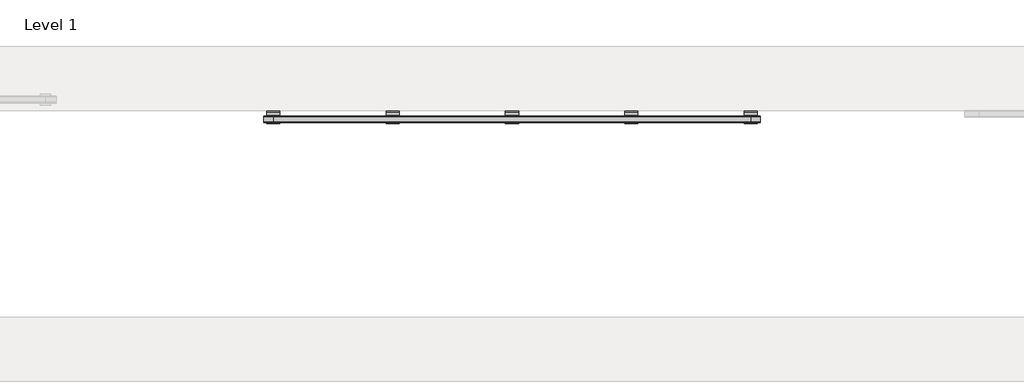
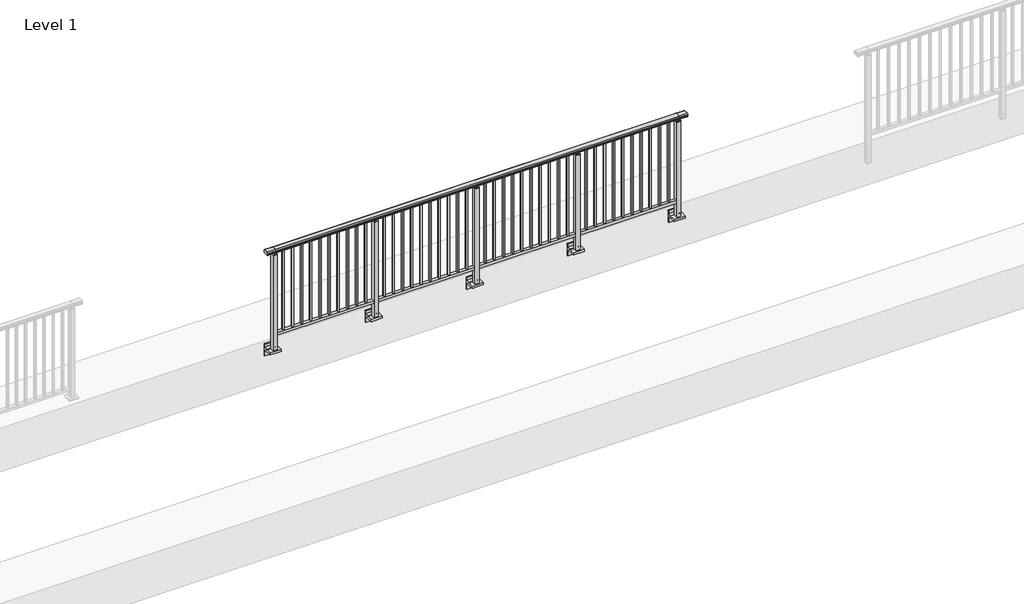
# One storey, part 29 of 64: 1 railing.
"""IFC4 building model written with IfcOpenShell, lengths in millimetres."""

from ifc_helpers import new_model, si_unit, point, frame, frame_2d, origin, place, context, project, spatial, polyline, circle_curve, trimmed, segment, composite_curve, outline, extrude, element, save
from ifc_brep_helpers import plane_surface, cylinder_surface, revolved_surface, advanced_brep

model = new_model("IFC4")

# Units and contexts
model_context = context("Model", 3, world=origin())
ifc_project = project(units=[si_unit("LENGTHUNIT", "METRE", prefix="MILLI")], contexts=[model_context])

# Site, building, storey
site = spatial("IfcSite", under=ifc_project)
building = spatial("IfcBuilding", under=site)
storey = spatial("IfcBuildingStorey", under=building, Name="Level 1", Elevation=0.0)

# Railing
placement = place(None, origin())
element("IfcRailing", 1, at=placement, inside=storey, context=model_context, shape_type="SolidModel", body=[
    advanced_brep(
    [(12910.0, 19842.8633756, 1095.6691182), (12910.0, 19847.6846828, 1081.1334092), (12910.0, 19846.7413744, 1069.2539035), (12910.0, 19848.6364177, 1061.4863007), (12910.0, 19846.9894799, 1060.384124), (12910.0, 19846.9894799, 1062.0), (12910.0, 19788.3798858, 1062.0), (12910.0, 19788.3798858, 1060.384124), (12910.0, 19786.732948, 1061.4863007), (12910.0, 19788.6279912, 1069.2539035), (12910.0, 19787.6846828, 1081.1334092), (12910.0, 19792.50599, 1095.6691182), (17490.0, 19842.8633756, 1095.6691182), (17490.0, 19792.50599, 1095.6691182), (17490.0, 19787.6846828, 1081.1334092), (17490.0, 19788.6279912, 1069.2539035), (17490.0, 19786.732948, 1061.4863007), (17490.0, 19788.3798858, 1060.384124), (17490.0, 19788.3798858, 1062.0), (17490.0, 19846.9894799, 1062.0), (17490.0, 19846.9894799, 1060.384124), (17490.0, 19848.6364177, 1061.4863007), (17490.0, 19846.7413744, 1069.2539035), (17490.0, 19847.6846828, 1081.1334092), (13000.0, 19842.8633756, 1095.6691182), (13000.0, 19847.6846828, 1081.1334092), (13000.0, 19846.7413744, 1069.2539035), (13000.0, 19848.6364177, 1061.4863007), (13000.0, 19846.9894799, 1060.384124), (13000.0, 19846.9894799, 1062.0), (13000.0, 19788.3798858, 1062.0), (13000.0, 19788.3798858, 1060.384124), (13000.0, 19786.732948, 1061.4863007), (13000.0, 19788.6279912, 1069.2539035), (13000.0, 19787.6846828, 1081.1334092), (13000.0, 19792.50599, 1095.6691182), (17400.0, 19842.8633756, 1095.6691182), (17400.0, 19847.6846828, 1081.1334092), (17400.0, 19846.7413744, 1069.2539035), (17400.0, 19848.6364177, 1061.4863007), (17400.0, 19846.9894799, 1060.384124), (17400.0, 19846.9894799, 1062.0), (17400.0, 19788.3798858, 1062.0), (17400.0, 19788.3798858, 1060.384124), (17400.0, 19786.732948, 1061.4863007), (17400.0, 19788.6279912, 1069.2539035), (17400.0, 19787.6846828, 1081.1334092), (17400.0, 19792.50599, 1095.6691182)],
    [
        (0, 1, circle_curve(frame((12910.0, 19839.6223845, 1086.526686), z_axis=(-1.0, 0.0, 0.0), x_axis=(0.0, -1.0, 0.0)), 9.6999015)),
        (1, 2, circle_curve(frame((12910.0, 19865.2252545, 1073.7633709), z_axis=(1.0, 0.0, 0.0), x_axis=(0.0, -1.0, 0.0)), 19.0260117)),
        (2, 3),
        (3, 4, circle_curve(frame((12910.0, 19847.7772073, 1060.9886194), z_axis=(-1.0, 0.0, 0.0), x_axis=(0.0, -1.0, 0.0)), 0.9929396)),
        (4, 5),
        (5, 6),
        (6, 7),
        (7, 8, circle_curve(frame((12910.0, 19787.5921584, 1060.9886194), z_axis=(-1.0, 0.0, 0.0), x_axis=(0.0, 1.0, 0.0)), 0.9929396)),
        (8, 9),
        (9, 10, circle_curve(frame((12910.0, 19770.1441111, 1073.7633709), z_axis=(1.0, 0.0, 0.0), x_axis=(0.0, 1.0, 0.0)), 19.0260117)),
        (10, 11, circle_curve(frame((12910.0, 19795.7469812, 1086.526686), z_axis=(-1.0, 0.0, 0.0), x_axis=(0.0, 1.0, 0.0)), 9.6999015)),
        (11, 0, circle_curve(frame((12910.0, 19817.6846828, 1024.6431628), z_axis=(-1.0, 0.0, 0.0), x_axis=(0.0, 1.0, 0.0)), 75.3568372)),
        (12, 13, circle_curve(frame((17490.0, 19817.6846828, 1024.6431628), z_axis=(1.0, 0.0, 0.0), x_axis=(0.0, 1.0, 0.0)), 75.3568372)),
        (13, 14, circle_curve(frame((17490.0, 19795.7469812, 1086.526686), z_axis=(1.0, 0.0, 0.0), x_axis=(0.0, 1.0, 0.0)), 9.6999015)),
        (14, 15, circle_curve(frame((17490.0, 19770.1441111, 1073.7633709), z_axis=(-1.0, 0.0, 0.0), x_axis=(0.0, 1.0, 0.0)), 19.0260117)),
        (15, 16),
        (16, 17, circle_curve(frame((17490.0, 19787.5921584, 1060.9886194), z_axis=(1.0, 0.0, 0.0), x_axis=(0.0, 1.0, 0.0)), 0.9929396)),
        (17, 18),
        (18, 19),
        (19, 20),
        (20, 21, circle_curve(frame((17490.0, 19847.7772073, 1060.9886194), z_axis=(1.0, 0.0, 0.0), x_axis=(0.0, -1.0, 0.0)), 0.9929396)),
        (21, 22),
        (22, 23, circle_curve(frame((17490.0, 19865.2252545, 1073.7633709), z_axis=(-1.0, 0.0, 0.0), x_axis=(0.0, -1.0, 0.0)), 19.0260117)),
        (23, 12, circle_curve(frame((17490.0, 19839.6223845, 1086.526686), z_axis=(1.0, 0.0, 0.0), x_axis=(0.0, -1.0, 0.0)), 9.6999015)),
        (0, 24),
        (24, 25, circle_curve(frame((13000.0, 19839.6223845, 1086.526686), z_axis=(-1.0, 0.0, 0.0), x_axis=(0.0, -1.0, 0.0)), 9.6999015)),
        (25, 1),
        (25, 26, circle_curve(frame((13000.0, 19865.2252545, 1073.7633709), z_axis=(1.0, 0.0, 0.0), x_axis=(0.0, -1.0, 0.0)), 19.0260117)),
        (26, 2),
        (26, 27),
        (27, 3),
        (27, 28, circle_curve(frame((13000.0, 19847.7772073, 1060.9886194), z_axis=(-1.0, 0.0, 0.0), x_axis=(0.0, -1.0, 0.0)), 0.9929396)),
        (28, 4),
        (28, 29),
        (29, 5),
        (29, 30),
        (30, 6),
        (30, 31),
        (31, 7),
        (31, 32, circle_curve(frame((13000.0, 19787.5921584, 1060.9886194), z_axis=(-1.0, 0.0, 0.0), x_axis=(0.0, 1.0, 0.0)), 0.9929396)),
        (32, 8),
        (32, 33),
        (33, 9),
        (33, 34, circle_curve(frame((13000.0, 19770.1441111, 1073.7633709), z_axis=(1.0, 0.0, 0.0), x_axis=(0.0, 1.0, 0.0)), 19.0260117)),
        (34, 10),
        (34, 35, circle_curve(frame((13000.0, 19795.7469812, 1086.526686), z_axis=(-1.0, 0.0, 0.0), x_axis=(0.0, 1.0, 0.0)), 9.6999015)),
        (35, 11),
        (35, 24, circle_curve(frame((13000.0, 19817.6846828, 1024.6431628), z_axis=(-1.0, 0.0, 0.0), x_axis=(0.0, 1.0, 0.0)), 75.3568372)),
        (24, 36),
        (36, 37, circle_curve(frame((17400.0, 19839.6223845, 1086.526686), z_axis=(-1.0, 0.0, 0.0), x_axis=(0.0, -1.0, 0.0)), 9.6999015)),
        (37, 25),
        (37, 38, circle_curve(frame((17400.0, 19865.2252545, 1073.7633709), z_axis=(1.0, 0.0, 0.0), x_axis=(0.0, -1.0, 0.0)), 19.0260117)),
        (38, 26),
        (38, 39),
        (39, 27),
        (39, 40, circle_curve(frame((17400.0, 19847.7772073, 1060.9886194), z_axis=(-1.0, 0.0, 0.0), x_axis=(0.0, -1.0, 0.0)), 0.9929396)),
        (40, 28),
        (40, 41),
        (41, 29),
        (41, 42),
        (42, 30),
        (42, 43),
        (43, 31),
        (43, 44, circle_curve(frame((17400.0, 19787.5921584, 1060.9886194), z_axis=(-1.0, 0.0, 0.0), x_axis=(0.0, 1.0, 0.0)), 0.9929396)),
        (44, 32),
        (44, 45),
        (45, 33),
        (45, 46, circle_curve(frame((17400.0, 19770.1441111, 1073.7633709), z_axis=(1.0, 0.0, 0.0), x_axis=(0.0, 1.0, 0.0)), 19.0260117)),
        (46, 34),
        (46, 47, circle_curve(frame((17400.0, 19795.7469812, 1086.526686), z_axis=(-1.0, 0.0, 0.0), x_axis=(0.0, 1.0, 0.0)), 9.6999015)),
        (47, 35),
        (47, 36, circle_curve(frame((17400.0, 19817.6846828, 1024.6431628), z_axis=(-1.0, 0.0, 0.0), x_axis=(0.0, 1.0, 0.0)), 75.3568372)),
        (36, 12),
        (23, 37),
        (22, 38),
        (21, 39),
        (20, 40),
        (19, 41),
        (18, 42),
        (17, 43),
        (16, 44),
        (15, 45),
        (14, 46),
        (13, 47),
    ],
    [
        plane_surface(frame((12910.0, 19817.6846828, 1100.0), z_axis=(-1.0, 0.0, 0.0), x_axis=(0.0, 1.0, 0.0))),
        plane_surface(frame((17490.0, 19817.6846828, 1100.0), z_axis=(1.0, 0.0, 0.0), x_axis=(0.0, 1.0, 0.0))),
        cylinder_surface(frame((12910.0, 19839.6223845, 1086.526686), z_axis=(-1.0, 0.0, 0.0), x_axis=(0.0, -1.0, 0.0)), 9.6999015),
        revolved_surface(polyline([(13000.0, 19846.1992428, 1073.7633709), (12910.0, 19846.1992428, 1073.7633709)]), (12910.0, 19865.2252545, 1073.7633709), (1.0, 0.0, 0.0)),
        plane_surface(frame((12910.0, 19846.7413744, 1069.2539035), z_axis=(0.0, 0.9715057689301543, 0.2370159086125439), x_axis=(1.0, 0.0, 0.0))),
        cylinder_surface(frame((12910.0, 19847.7772073, 1060.9886194), z_axis=(-1.0, 0.0, 0.0), x_axis=(0.0, -1.0, 0.0)), 0.9929396),
        plane_surface(frame((12910.0, 19846.9894799, 1060.384124), z_axis=(0.0, -1.0, 0.0), x_axis=(1.0, 0.0, 0.0))),
        plane_surface(frame((12910.0, 19846.9894799, 1062.0), z_axis=(0.0, 0.0, -1.0), x_axis=(1.0, 0.0, 0.0))),
        plane_surface(frame((12910.0, 19788.3798858, 1062.0), z_axis=(0.0, 1.0, 0.0), x_axis=(1.0, 0.0, 0.0))),
        cylinder_surface(frame((12910.0, 19787.5921584, 1060.9886194), z_axis=(-1.0, 0.0, 0.0), x_axis=(0.0, 1.0, 0.0)), 0.9929396),
        plane_surface(frame((12910.0, 19786.732948, 1061.4863007), z_axis=(0.0, -0.9715057689301543, 0.2370159086125439), x_axis=(1.0, 0.0, 0.0))),
        revolved_surface(polyline([(13000.0, 19789.1701228, 1073.7633709), (12910.0, 19789.1701228, 1073.7633709)]), (12910.0, 19770.1441111, 1073.7633709), (1.0, 0.0, 0.0)),
        cylinder_surface(frame((12910.0, 19795.7469812, 1086.526686), z_axis=(-1.0, 0.0, 0.0), x_axis=(0.0, 1.0, 0.0)), 9.6999015),
        cylinder_surface(frame((12910.0, 19817.6846828, 1024.6431628), z_axis=(-1.0, 0.0, 0.0), x_axis=(0.0, 1.0, 0.0)), 75.3568372),
        cylinder_surface(frame((13000.0, 19839.6223845, 1086.526686), z_axis=(-1.0, 0.0, 0.0), x_axis=(0.0, -1.0, 0.0)), 9.6999015),
        revolved_surface(polyline([(17400.0, 19846.1992428, 1073.7633709), (13000.0, 19846.1992428, 1073.7633709)]), (13000.0, 19865.2252545, 1073.7633709), (1.0, 0.0, 0.0)),
        plane_surface(frame((13000.0, 19846.7413744, 1069.2539035), z_axis=(0.0, 0.9715057689301543, 0.2370159086125439), x_axis=(1.0, 0.0, 0.0))),
        cylinder_surface(frame((13000.0, 19847.7772073, 1060.9886194), z_axis=(-1.0, 0.0, 0.0), x_axis=(0.0, -1.0, 0.0)), 0.9929396),
        plane_surface(frame((13000.0, 19846.9894799, 1060.384124), z_axis=(0.0, -1.0, 0.0), x_axis=(1.0, 0.0, 0.0))),
        plane_surface(frame((13000.0, 19846.9894799, 1062.0), z_axis=(0.0, 0.0, -1.0), x_axis=(1.0, 0.0, 0.0))),
        plane_surface(frame((13000.0, 19788.3798858, 1062.0), z_axis=(0.0, 1.0, 0.0), x_axis=(1.0, 0.0, 0.0))),
        cylinder_surface(frame((13000.0, 19787.5921584, 1060.9886194), z_axis=(-1.0, 0.0, 0.0), x_axis=(0.0, 1.0, 0.0)), 0.9929396),
        plane_surface(frame((13000.0, 19786.732948, 1061.4863007), z_axis=(0.0, -0.9715057689301543, 0.2370159086125439), x_axis=(1.0, 0.0, 0.0))),
        revolved_surface(polyline([(17400.0, 19789.1701228, 1073.7633709), (13000.0, 19789.1701228, 1073.7633709)]), (13000.0, 19770.1441111, 1073.7633709), (1.0, 0.0, 0.0)),
        cylinder_surface(frame((13000.0, 19795.7469812, 1086.526686), z_axis=(-1.0, 0.0, 0.0), x_axis=(0.0, 1.0, 0.0)), 9.6999015),
        cylinder_surface(frame((13000.0, 19817.6846828, 1024.6431628), z_axis=(-1.0, 0.0, 0.0), x_axis=(0.0, 1.0, 0.0)), 75.3568372),
        cylinder_surface(frame((17400.0, 19839.6223845, 1086.526686), z_axis=(-1.0, 0.0, 0.0), x_axis=(0.0, -1.0, 0.0)), 9.6999015),
        revolved_surface(polyline([(17490.0, 19846.1992428, 1073.7633709), (17400.0, 19846.1992428, 1073.7633709)]), (17400.0, 19865.2252545, 1073.7633709), (1.0, 0.0, 0.0)),
        plane_surface(frame((17400.0, 19846.7413744, 1069.2539035), z_axis=(0.0, 0.9715057689301543, 0.2370159086125439), x_axis=(1.0, 0.0, 0.0))),
        cylinder_surface(frame((17400.0, 19847.7772073, 1060.9886194), z_axis=(-1.0, 0.0, 0.0), x_axis=(0.0, -1.0, 0.0)), 0.9929396),
        plane_surface(frame((17400.0, 19846.9894799, 1060.384124), z_axis=(0.0, -1.0, 0.0), x_axis=(1.0, 0.0, 0.0))),
        plane_surface(frame((17400.0, 19846.9894799, 1062.0), z_axis=(0.0, 0.0, -1.0), x_axis=(1.0, 0.0, 0.0))),
        plane_surface(frame((17400.0, 19788.3798858, 1062.0), z_axis=(0.0, 1.0, 0.0), x_axis=(1.0, 0.0, 0.0))),
        cylinder_surface(frame((17400.0, 19787.5921584, 1060.9886194), z_axis=(-1.0, 0.0, 0.0), x_axis=(0.0, 1.0, 0.0)), 0.9929396),
        plane_surface(frame((17400.0, 19786.732948, 1061.4863007), z_axis=(0.0, -0.9715057689301543, 0.2370159086125439), x_axis=(1.0, 0.0, 0.0))),
        revolved_surface(polyline([(17490.0, 19789.1701228, 1073.7633709), (17400.0, 19789.1701228, 1073.7633709)]), (17400.0, 19770.1441111, 1073.7633709), (1.0, 0.0, 0.0)),
        cylinder_surface(frame((17400.0, 19795.7469812, 1086.526686), z_axis=(-1.0, 0.0, 0.0), x_axis=(0.0, 1.0, 0.0)), 9.6999015),
        cylinder_surface(frame((17400.0, 19817.6846828, 1024.6431628), z_axis=(-1.0, 0.0, 0.0), x_axis=(0.0, 1.0, 0.0)), 75.3568372),
    ],
    [
        (0, [[1, 2, 3, 4, 5, 6, 7, 8, 9, 10, 11, 12]]),
        (1, [[13, 14, 15, 16, 17, 18, 19, 20, 21, 22, 23, 24]]),
        (2, [[-1, 25, 26, 27]]),
        (3, [[-2, -27, 28, 29]]),
        (4, [[-3, -29, 30, 31]]),
        (5, [[-4, -31, 32, 33]]),
        (6, [[-5, -33, 34, 35]]),
        (7, [[-6, -35, 36, 37]]),
        (8, [[-7, -37, 38, 39]]),
        (9, [[-8, -39, 40, 41]]),
        (10, [[-9, -41, 42, 43]]),
        (11, [[-10, -43, 44, 45]]),
        (12, [[-11, -45, 46, 47]]),
        (13, [[-12, -47, 48, -25]]),
        (14, [[-26, 49, 50, 51]]),
        (15, [[-28, -51, 52, 53]]),
        (16, [[-30, -53, 54, 55]]),
        (17, [[-32, -55, 56, 57]]),
        (18, [[-34, -57, 58, 59]]),
        (19, [[-36, -59, 60, 61]]),
        (20, [[-38, -61, 62, 63]]),
        (21, [[-40, -63, 64, 65]]),
        (22, [[-42, -65, 66, 67]]),
        (23, [[-44, -67, 68, 69]]),
        (24, [[-46, -69, 70, 71]]),
        (25, [[-48, -71, 72, -49]]),
        (26, [[-50, 73, -24, 74]]),
        (27, [[-52, -74, -23, 75]]),
        (28, [[-54, -75, -22, 76]]),
        (29, [[-56, -76, -21, 77]]),
        (30, [[-58, -77, -20, 78]]),
        (31, [[-60, -78, -19, 79]]),
        (32, [[-62, -79, -18, 80]]),
        (33, [[-64, -80, -17, 81]]),
        (34, [[-66, -81, -16, 82]]),
        (35, [[-68, -82, -15, 83]]),
        (36, [[-70, -83, -14, 84]]),
        (37, [[-72, -84, -13, -73]]),
    ],
),
    extrude(outline(polyline([(13000.0, 19800.1846828), (13000.0, 19835.1846828), (17400.0, 19835.1846828), (17400.0, 19800.1846828), (13000.0, 19800.1846828)])), frame((0.0, 0.0, 95.0), z_axis=(0.0, 0.0, 1.0), x_axis=(1.0, 0.0, 0.0)), (0.0, 0.0, 1.0), 30.0),
    extrude(outline(polyline([(17308.5, 19809.1846828), (17291.5, 19809.1846828), (17291.5, 19826.1846828), (17308.5, 19826.1846828), (17308.5, 19809.1846828)])), frame((0.0, 0.0, 125.0), z_axis=(0.0, 0.0, 1.0), x_axis=(1.0, 0.0, 0.0)), (0.0, 0.0, 1.0), 930.0),
    extrude(outline(polyline([(17208.5, 19809.1846828), (17191.5, 19809.1846828), (17191.5, 19826.1846828), (17208.5, 19826.1846828), (17208.5, 19809.1846828)])), frame((0.0, 0.0, 125.0), z_axis=(0.0, 0.0, 1.0), x_axis=(1.0, 0.0, 0.0)), (0.0, 0.0, 1.0), 930.0),
    extrude(outline(polyline([(17108.5, 19809.1846828), (17091.5, 19809.1846828), (17091.5, 19826.1846828), (17108.5, 19826.1846828), (17108.5, 19809.1846828)])), frame((0.0, 0.0, 125.0), z_axis=(0.0, 0.0, 1.0), x_axis=(1.0, 0.0, 0.0)), (0.0, 0.0, 1.0), 930.0),
    extrude(outline(polyline([(17008.5, 19809.1846828), (16991.5, 19809.1846828), (16991.5, 19826.1846828), (17008.5, 19826.1846828), (17008.5, 19809.1846828)])), frame((0.0, 0.0, 125.0), z_axis=(0.0, 0.0, 1.0), x_axis=(1.0, 0.0, 0.0)), (0.0, 0.0, 1.0), 930.0),
    extrude(outline(polyline([(16908.5, 19809.1846828), (16891.5, 19809.1846828), (16891.5, 19826.1846828), (16908.5, 19826.1846828), (16908.5, 19809.1846828)])), frame((0.0, 0.0, 125.0), z_axis=(0.0, 0.0, 1.0), x_axis=(1.0, 0.0, 0.0)), (0.0, 0.0, 1.0), 930.0),
    extrude(outline(polyline([(16808.5, 19809.1846828), (16791.5, 19809.1846828), (16791.5, 19826.1846828), (16808.5, 19826.1846828), (16808.5, 19809.1846828)])), frame((0.0, 0.0, 125.0), z_axis=(0.0, 0.0, 1.0), x_axis=(1.0, 0.0, 0.0)), (0.0, 0.0, 1.0), 930.0),
    extrude(outline(polyline([(16708.5, 19809.1846828), (16691.5, 19809.1846828), (16691.5, 19826.1846828), (16708.5, 19826.1846828), (16708.5, 19809.1846828)])), frame((0.0, 0.0, 125.0), z_axis=(0.0, 0.0, 1.0), x_axis=(1.0, 0.0, 0.0)), (0.0, 0.0, 1.0), 930.0),
    extrude(outline(polyline([(16608.5, 19809.1846828), (16591.5, 19809.1846828), (16591.5, 19826.1846828), (16608.5, 19826.1846828), (16608.5, 19809.1846828)])), frame((0.0, 0.0, 125.0), z_axis=(0.0, 0.0, 1.0), x_axis=(1.0, 0.0, 0.0)), (0.0, 0.0, 1.0), 930.0),
    extrude(outline(polyline([(16508.5, 19809.1846828), (16491.5, 19809.1846828), (16491.5, 19826.1846828), (16508.5, 19826.1846828), (16508.5, 19809.1846828)])), frame((0.0, 0.0, 125.0), z_axis=(0.0, 0.0, 1.0), x_axis=(1.0, 0.0, 0.0)), (0.0, 0.0, 1.0), 930.0),
    extrude(outline(polyline([(16408.5, 19809.1846828), (16391.5, 19809.1846828), (16391.5, 19826.1846828), (16408.5, 19826.1846828), (16408.5, 19809.1846828)])), frame((0.0, 0.0, 125.0), z_axis=(0.0, 0.0, 1.0), x_axis=(1.0, 0.0, 0.0)), (0.0, 0.0, 1.0), 930.0),
    extrude(outline(composite_curve([segment(polyline([(19850.1846828, -70.0), (19884.1846828, -63.0), (19884.1846828, -32.5), (19900.1846828, -32.5), (19900.1846828, -167.5), (19884.1846828, -167.5), (19884.1846828, -113.5)]), True, "CONTINUOUS"), segment(trimmed(circle_curve(frame_2d((19864.1846828, -113.5)), 20.0), [point((19884.1846828, -113.5))], [point((19864.1846828, -93.5))], True, "CARTESIAN"), True, "CONTINUOUS"), segment(polyline([(19864.1846828, -93.5), (19780.1846828, -93.5), (19780.1846828, -70.0), (19850.1846828, -70.0)]), True, "CONTINUOUS")], self_intersect=False)), frame((16240.0, 0.0, 0.0), z_axis=(1.0, 0.0, 0.0), x_axis=(0.0, 1.0, 0.0)), (0.0, 0.0, 1.0), 120.0),
    extrude(outline(polyline([(16322.5, 19840.1846828), (16322.5, 19795.1846828), (16277.5, 19795.1846828), (16277.5, 19840.1846828), (16322.5, 19840.1846828)])), frame((0.0, 0.0, -70.0), z_axis=(0.0, 0.0, 1.0), x_axis=(1.0, 0.0, 0.0)), (0.0, 0.0, 1.0), 1097.0),
    extrude(outline(polyline([(16310.0, 19827.6846828), (16310.0, 19807.6846828), (16290.0, 19807.6846828), (16290.0, 19827.6846828), (16310.0, 19827.6846828)])), frame((0.0, 0.0, 1035.0), z_axis=(0.0, 0.0, 1.0), x_axis=(1.0, 0.0, 0.0)), (0.0, 0.0, 1.0), 20.0),
    extrude(outline(polyline([(16322.5, 19840.1846828), (16322.5, 19795.1846828), (16277.5, 19795.1846828), (16277.5, 19840.1846828), (16322.5, 19840.1846828)])), frame((0.0, 0.0, 1027.0), z_axis=(0.0, 0.0, 1.0), x_axis=(1.0, 0.0, 0.0)), (0.0, 0.0, 1.0), 8.0),
    extrude(outline(polyline([(16208.5, 19809.1846828), (16191.5, 19809.1846828), (16191.5, 19826.1846828), (16208.5, 19826.1846828), (16208.5, 19809.1846828)])), frame((0.0, 0.0, 125.0), z_axis=(0.0, 0.0, 1.0), x_axis=(1.0, 0.0, 0.0)), (0.0, 0.0, 1.0), 930.0),
    extrude(outline(polyline([(16108.5, 19809.1846828), (16091.5, 19809.1846828), (16091.5, 19826.1846828), (16108.5, 19826.1846828), (16108.5, 19809.1846828)])), frame((0.0, 0.0, 125.0), z_axis=(0.0, 0.0, 1.0), x_axis=(1.0, 0.0, 0.0)), (0.0, 0.0, 1.0), 930.0),
    extrude(outline(polyline([(16008.5, 19809.1846828), (15991.5, 19809.1846828), (15991.5, 19826.1846828), (16008.5, 19826.1846828), (16008.5, 19809.1846828)])), frame((0.0, 0.0, 125.0), z_axis=(0.0, 0.0, 1.0), x_axis=(1.0, 0.0, 0.0)), (0.0, 0.0, 1.0), 930.0),
    extrude(outline(polyline([(15908.5, 19809.1846828), (15891.5, 19809.1846828), (15891.5, 19826.1846828), (15908.5, 19826.1846828), (15908.5, 19809.1846828)])), frame((0.0, 0.0, 125.0), z_axis=(0.0, 0.0, 1.0), x_axis=(1.0, 0.0, 0.0)), (0.0, 0.0, 1.0), 930.0),
    extrude(outline(polyline([(15808.5, 19809.1846828), (15791.5, 19809.1846828), (15791.5, 19826.1846828), (15808.5, 19826.1846828), (15808.5, 19809.1846828)])), frame((0.0, 0.0, 125.0), z_axis=(0.0, 0.0, 1.0), x_axis=(1.0, 0.0, 0.0)), (0.0, 0.0, 1.0), 930.0),
    extrude(outline(polyline([(15708.5, 19809.1846828), (15691.5, 19809.1846828), (15691.5, 19826.1846828), (15708.5, 19826.1846828), (15708.5, 19809.1846828)])), frame((0.0, 0.0, 125.0), z_axis=(0.0, 0.0, 1.0), x_axis=(1.0, 0.0, 0.0)), (0.0, 0.0, 1.0), 930.0),
    extrude(outline(polyline([(15608.5, 19809.1846828), (15591.5, 19809.1846828), (15591.5, 19826.1846828), (15608.5, 19826.1846828), (15608.5, 19809.1846828)])), frame((0.0, 0.0, 125.0), z_axis=(0.0, 0.0, 1.0), x_axis=(1.0, 0.0, 0.0)), (0.0, 0.0, 1.0), 930.0),
    extrude(outline(polyline([(15508.5, 19809.1846828), (15491.5, 19809.1846828), (15491.5, 19826.1846828), (15508.5, 19826.1846828), (15508.5, 19809.1846828)])), frame((0.0, 0.0, 125.0), z_axis=(0.0, 0.0, 1.0), x_axis=(1.0, 0.0, 0.0)), (0.0, 0.0, 1.0), 930.0),
    extrude(outline(polyline([(15408.5, 19809.1846828), (15391.5, 19809.1846828), (15391.5, 19826.1846828), (15408.5, 19826.1846828), (15408.5, 19809.1846828)])), frame((0.0, 0.0, 125.0), z_axis=(0.0, 0.0, 1.0), x_axis=(1.0, 0.0, 0.0)), (0.0, 0.0, 1.0), 930.0),
    extrude(outline(polyline([(15308.5, 19809.1846828), (15291.5, 19809.1846828), (15291.5, 19826.1846828), (15308.5, 19826.1846828), (15308.5, 19809.1846828)])), frame((0.0, 0.0, 125.0), z_axis=(0.0, 0.0, 1.0), x_axis=(1.0, 0.0, 0.0)), (0.0, 0.0, 1.0), 930.0),
    extrude(outline(composite_curve([segment(polyline([(19850.1846828, -70.0), (19884.1846828, -63.0), (19884.1846828, -32.5), (19900.1846828, -32.5), (19900.1846828, -167.5), (19884.1846828, -167.5), (19884.1846828, -113.5)]), True, "CONTINUOUS"), segment(trimmed(circle_curve(frame_2d((19864.1846828, -113.5)), 20.0), [point((19884.1846828, -113.5))], [point((19864.1846828, -93.5))], True, "CARTESIAN"), True, "CONTINUOUS"), segment(polyline([(19864.1846828, -93.5), (19780.1846828, -93.5), (19780.1846828, -70.0), (19850.1846828, -70.0)]), True, "CONTINUOUS")], self_intersect=False)), frame((15140.0, 0.0, 0.0), z_axis=(1.0, 0.0, 0.0), x_axis=(0.0, 1.0, 0.0)), (0.0, 0.0, 1.0), 120.0),
    extrude(outline(polyline([(15222.5, 19840.1846828), (15222.5, 19795.1846828), (15177.5, 19795.1846828), (15177.5, 19840.1846828), (15222.5, 19840.1846828)])), frame((0.0, 0.0, -70.0), z_axis=(0.0, 0.0, 1.0), x_axis=(1.0, 0.0, 0.0)), (0.0, 0.0, 1.0), 1097.0),
    extrude(outline(polyline([(15210.0, 19827.6846828), (15210.0, 19807.6846828), (15190.0, 19807.6846828), (15190.0, 19827.6846828), (15210.0, 19827.6846828)])), frame((0.0, 0.0, 1035.0), z_axis=(0.0, 0.0, 1.0), x_axis=(1.0, 0.0, 0.0)), (0.0, 0.0, 1.0), 20.0),
    extrude(outline(polyline([(15222.5, 19840.1846828), (15222.5, 19795.1846828), (15177.5, 19795.1846828), (15177.5, 19840.1846828), (15222.5, 19840.1846828)])), frame((0.0, 0.0, 1027.0), z_axis=(0.0, 0.0, 1.0), x_axis=(1.0, 0.0, 0.0)), (0.0, 0.0, 1.0), 8.0),
    extrude(outline(polyline([(15108.5, 19809.1846828), (15091.5, 19809.1846828), (15091.5, 19826.1846828), (15108.5, 19826.1846828), (15108.5, 19809.1846828)])), frame((0.0, 0.0, 125.0), z_axis=(0.0, 0.0, 1.0), x_axis=(1.0, 0.0, 0.0)), (0.0, 0.0, 1.0), 930.0),
    extrude(outline(polyline([(15008.5, 19809.1846828), (14991.5, 19809.1846828), (14991.5, 19826.1846828), (15008.5, 19826.1846828), (15008.5, 19809.1846828)])), frame((0.0, 0.0, 125.0), z_axis=(0.0, 0.0, 1.0), x_axis=(1.0, 0.0, 0.0)), (0.0, 0.0, 1.0), 930.0),
    extrude(outline(polyline([(14908.5, 19809.1846828), (14891.5, 19809.1846828), (14891.5, 19826.1846828), (14908.5, 19826.1846828), (14908.5, 19809.1846828)])), frame((0.0, 0.0, 125.0), z_axis=(0.0, 0.0, 1.0), x_axis=(1.0, 0.0, 0.0)), (0.0, 0.0, 1.0), 930.0),
    extrude(outline(polyline([(14808.5, 19809.1846828), (14791.5, 19809.1846828), (14791.5, 19826.1846828), (14808.5, 19826.1846828), (14808.5, 19809.1846828)])), frame((0.0, 0.0, 125.0), z_axis=(0.0, 0.0, 1.0), x_axis=(1.0, 0.0, 0.0)), (0.0, 0.0, 1.0), 930.0),
    extrude(outline(polyline([(14708.5, 19809.1846828), (14691.5, 19809.1846828), (14691.5, 19826.1846828), (14708.5, 19826.1846828), (14708.5, 19809.1846828)])), frame((0.0, 0.0, 125.0), z_axis=(0.0, 0.0, 1.0), x_axis=(1.0, 0.0, 0.0)), (0.0, 0.0, 1.0), 930.0),
    extrude(outline(polyline([(14608.5, 19809.1846828), (14591.5, 19809.1846828), (14591.5, 19826.1846828), (14608.5, 19826.1846828), (14608.5, 19809.1846828)])), frame((0.0, 0.0, 125.0), z_axis=(0.0, 0.0, 1.0), x_axis=(1.0, 0.0, 0.0)), (0.0, 0.0, 1.0), 930.0),
    extrude(outline(polyline([(14508.5, 19809.1846828), (14491.5, 19809.1846828), (14491.5, 19826.1846828), (14508.5, 19826.1846828), (14508.5, 19809.1846828)])), frame((0.0, 0.0, 125.0), z_axis=(0.0, 0.0, 1.0), x_axis=(1.0, 0.0, 0.0)), (0.0, 0.0, 1.0), 930.0),
    extrude(outline(polyline([(14408.5, 19809.1846828), (14391.5, 19809.1846828), (14391.5, 19826.1846828), (14408.5, 19826.1846828), (14408.5, 19809.1846828)])), frame((0.0, 0.0, 125.0), z_axis=(0.0, 0.0, 1.0), x_axis=(1.0, 0.0, 0.0)), (0.0, 0.0, 1.0), 930.0),
    extrude(outline(polyline([(14308.5, 19809.1846828), (14291.5, 19809.1846828), (14291.5, 19826.1846828), (14308.5, 19826.1846828), (14308.5, 19809.1846828)])), frame((0.0, 0.0, 125.0), z_axis=(0.0, 0.0, 1.0), x_axis=(1.0, 0.0, 0.0)), (0.0, 0.0, 1.0), 930.0),
    extrude(outline(polyline([(14208.5, 19809.1846828), (14191.5, 19809.1846828), (14191.5, 19826.1846828), (14208.5, 19826.1846828), (14208.5, 19809.1846828)])), frame((0.0, 0.0, 125.0), z_axis=(0.0, 0.0, 1.0), x_axis=(1.0, 0.0, 0.0)), (0.0, 0.0, 1.0), 930.0),
    extrude(outline(composite_curve([segment(polyline([(19850.1846828, -70.0), (19884.1846828, -63.0), (19884.1846828, -32.5), (19900.1846828, -32.5), (19900.1846828, -167.5), (19884.1846828, -167.5), (19884.1846828, -113.5)]), True, "CONTINUOUS"), segment(trimmed(circle_curve(frame_2d((19864.1846828, -113.5)), 20.0), [point((19884.1846828, -113.5))], [point((19864.1846828, -93.5))], True, "CARTESIAN"), True, "CONTINUOUS"), segment(polyline([(19864.1846828, -93.5), (19780.1846828, -93.5), (19780.1846828, -70.0), (19850.1846828, -70.0)]), True, "CONTINUOUS")], self_intersect=False)), frame((14040.0, 0.0, 0.0), z_axis=(1.0, 0.0, 0.0), x_axis=(0.0, 1.0, 0.0)), (0.0, 0.0, 1.0), 120.0),
    extrude(outline(polyline([(14122.5, 19840.1846828), (14122.5, 19795.1846828), (14077.5, 19795.1846828), (14077.5, 19840.1846828), (14122.5, 19840.1846828)])), frame((0.0, 0.0, -70.0), z_axis=(0.0, 0.0, 1.0), x_axis=(1.0, 0.0, 0.0)), (0.0, 0.0, 1.0), 1097.0),
    extrude(outline(polyline([(14110.0, 19827.6846828), (14110.0, 19807.6846828), (14090.0, 19807.6846828), (14090.0, 19827.6846828), (14110.0, 19827.6846828)])), frame((0.0, 0.0, 1035.0), z_axis=(0.0, 0.0, 1.0), x_axis=(1.0, 0.0, 0.0)), (0.0, 0.0, 1.0), 20.0),
    extrude(outline(polyline([(14122.5, 19840.1846828), (14122.5, 19795.1846828), (14077.5, 19795.1846828), (14077.5, 19840.1846828), (14122.5, 19840.1846828)])), frame((0.0, 0.0, 1027.0), z_axis=(0.0, 0.0, 1.0), x_axis=(1.0, 0.0, 0.0)), (0.0, 0.0, 1.0), 8.0),
    extrude(outline(polyline([(14008.5, 19809.1846828), (13991.5, 19809.1846828), (13991.5, 19826.1846828), (14008.5, 19826.1846828), (14008.5, 19809.1846828)])), frame((0.0, 0.0, 125.0), z_axis=(0.0, 0.0, 1.0), x_axis=(1.0, 0.0, 0.0)), (0.0, 0.0, 1.0), 930.0),
    extrude(outline(polyline([(13908.5, 19809.1846828), (13891.5, 19809.1846828), (13891.5, 19826.1846828), (13908.5, 19826.1846828), (13908.5, 19809.1846828)])), frame((0.0, 0.0, 125.0), z_axis=(0.0, 0.0, 1.0), x_axis=(1.0, 0.0, 0.0)), (0.0, 0.0, 1.0), 930.0),
    extrude(outline(polyline([(13808.5, 19809.1846828), (13791.5, 19809.1846828), (13791.5, 19826.1846828), (13808.5, 19826.1846828), (13808.5, 19809.1846828)])), frame((0.0, 0.0, 125.0), z_axis=(0.0, 0.0, 1.0), x_axis=(1.0, 0.0, 0.0)), (0.0, 0.0, 1.0), 930.0),
    extrude(outline(polyline([(13708.5, 19809.1846828), (13691.5, 19809.1846828), (13691.5, 19826.1846828), (13708.5, 19826.1846828), (13708.5, 19809.1846828)])), frame((0.0, 0.0, 125.0), z_axis=(0.0, 0.0, 1.0), x_axis=(1.0, 0.0, 0.0)), (0.0, 0.0, 1.0), 930.0),
    extrude(outline(polyline([(13608.5, 19809.1846828), (13591.5, 19809.1846828), (13591.5, 19826.1846828), (13608.5, 19826.1846828), (13608.5, 19809.1846828)])), frame((0.0, 0.0, 125.0), z_axis=(0.0, 0.0, 1.0), x_axis=(1.0, 0.0, 0.0)), (0.0, 0.0, 1.0), 930.0),
    extrude(outline(polyline([(13508.5, 19809.1846828), (13491.5, 19809.1846828), (13491.5, 19826.1846828), (13508.5, 19826.1846828), (13508.5, 19809.1846828)])), frame((0.0, 0.0, 125.0), z_axis=(0.0, 0.0, 1.0), x_axis=(1.0, 0.0, 0.0)), (0.0, 0.0, 1.0), 930.0),
    extrude(outline(polyline([(13408.5, 19809.1846828), (13391.5, 19809.1846828), (13391.5, 19826.1846828), (13408.5, 19826.1846828), (13408.5, 19809.1846828)])), frame((0.0, 0.0, 125.0), z_axis=(0.0, 0.0, 1.0), x_axis=(1.0, 0.0, 0.0)), (0.0, 0.0, 1.0), 930.0),
    extrude(outline(polyline([(13308.5, 19809.1846828), (13291.5, 19809.1846828), (13291.5, 19826.1846828), (13308.5, 19826.1846828), (13308.5, 19809.1846828)])), frame((0.0, 0.0, 125.0), z_axis=(0.0, 0.0, 1.0), x_axis=(1.0, 0.0, 0.0)), (0.0, 0.0, 1.0), 930.0),
    extrude(outline(polyline([(13208.5, 19809.1846828), (13191.5, 19809.1846828), (13191.5, 19826.1846828), (13208.5, 19826.1846828), (13208.5, 19809.1846828)])), frame((0.0, 0.0, 125.0), z_axis=(0.0, 0.0, 1.0), x_axis=(1.0, 0.0, 0.0)), (0.0, 0.0, 1.0), 930.0),
    extrude(outline(polyline([(13108.5, 19809.1846828), (13091.5, 19809.1846828), (13091.5, 19826.1846828), (13108.5, 19826.1846828), (13108.5, 19809.1846828)])), frame((0.0, 0.0, 125.0), z_axis=(0.0, 0.0, 1.0), x_axis=(1.0, 0.0, 0.0)), (0.0, 0.0, 1.0), 930.0),
    extrude(outline(composite_curve([segment(polyline([(19850.1846828, -70.0), (19884.1846828, -63.0), (19884.1846828, -32.5), (19900.1846828, -32.5), (19900.1846828, -167.5), (19884.1846828, -167.5), (19884.1846828, -113.5)]), True, "CONTINUOUS"), segment(trimmed(circle_curve(frame_2d((19864.1846828, -113.5)), 20.0), [point((19884.1846828, -113.5))], [point((19864.1846828, -93.5))], True, "CARTESIAN"), True, "CONTINUOUS"), segment(polyline([(19864.1846828, -93.5), (19780.1846828, -93.5), (19780.1846828, -70.0), (19850.1846828, -70.0)]), True, "CONTINUOUS")], self_intersect=False)), frame((17340.0, 0.0, 0.0), z_axis=(1.0, 0.0, 0.0), x_axis=(0.0, 1.0, 0.0)), (0.0, 0.0, 1.0), 120.0),
    extrude(outline(polyline([(17422.5, 19840.1846828), (17422.5, 19795.1846828), (17377.5, 19795.1846828), (17377.5, 19840.1846828), (17422.5, 19840.1846828)])), frame((0.0, 0.0, -70.0), z_axis=(0.0, 0.0, 1.0), x_axis=(1.0, 0.0, 0.0)), (0.0, 0.0, 1.0), 1097.0),
    extrude(outline(polyline([(17410.0, 19827.6846828), (17410.0, 19807.6846828), (17390.0, 19807.6846828), (17390.0, 19827.6846828), (17410.0, 19827.6846828)])), frame((0.0, 0.0, 1035.0), z_axis=(0.0, 0.0, 1.0), x_axis=(1.0, 0.0, 0.0)), (0.0, 0.0, 1.0), 20.0),
    extrude(outline(polyline([(17422.5, 19840.1846828), (17422.5, 19795.1846828), (17377.5, 19795.1846828), (17377.5, 19840.1846828), (17422.5, 19840.1846828)])), frame((0.0, 0.0, 1027.0), z_axis=(0.0, 0.0, 1.0), x_axis=(1.0, 0.0, 0.0)), (0.0, 0.0, 1.0), 8.0),
    extrude(outline(composite_curve([segment(polyline([(19850.1846828, -70.0), (19884.1846828, -63.0), (19884.1846828, -32.5), (19900.1846828, -32.5), (19900.1846828, -167.5), (19884.1846828, -167.5), (19884.1846828, -113.5)]), True, "CONTINUOUS"), segment(trimmed(circle_curve(frame_2d((19864.1846828, -113.5)), 20.0), [point((19884.1846828, -113.5))], [point((19864.1846828, -93.5))], True, "CARTESIAN"), True, "CONTINUOUS"), segment(polyline([(19864.1846828, -93.5), (19780.1846828, -93.5), (19780.1846828, -70.0), (19850.1846828, -70.0)]), True, "CONTINUOUS")], self_intersect=False)), frame((12940.0, 0.0, 0.0), z_axis=(1.0, 0.0, 0.0), x_axis=(0.0, 1.0, 0.0)), (0.0, 0.0, 1.0), 120.0),
    extrude(outline(polyline([(13022.5, 19840.1846828), (13022.5, 19795.1846828), (12977.5, 19795.1846828), (12977.5, 19840.1846828), (13022.5, 19840.1846828)])), frame((0.0, 0.0, -70.0), z_axis=(0.0, 0.0, 1.0), x_axis=(1.0, 0.0, 0.0)), (0.0, 0.0, 1.0), 1097.0),
    extrude(outline(polyline([(13010.0, 19827.6846828), (13010.0, 19807.6846828), (12990.0, 19807.6846828), (12990.0, 19827.6846828), (13010.0, 19827.6846828)])), frame((0.0, 0.0, 1035.0), z_axis=(0.0, 0.0, 1.0), x_axis=(1.0, 0.0, 0.0)), (0.0, 0.0, 1.0), 20.0),
    extrude(outline(polyline([(13022.5, 19840.1846828), (13022.5, 19795.1846828), (12977.5, 19795.1846828), (12977.5, 19840.1846828), (13022.5, 19840.1846828)])), frame((0.0, 0.0, 1027.0), z_axis=(0.0, 0.0, 1.0), x_axis=(1.0, 0.0, 0.0)), (0.0, 0.0, 1.0), 8.0),
])

save(model, "model.ifc")
